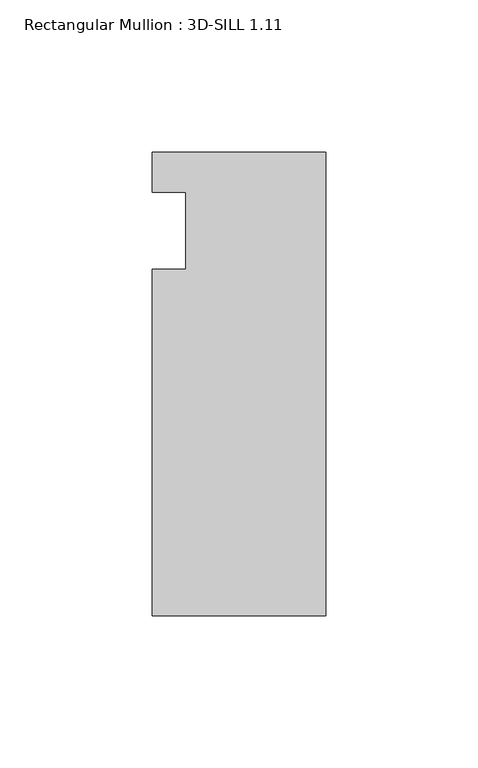
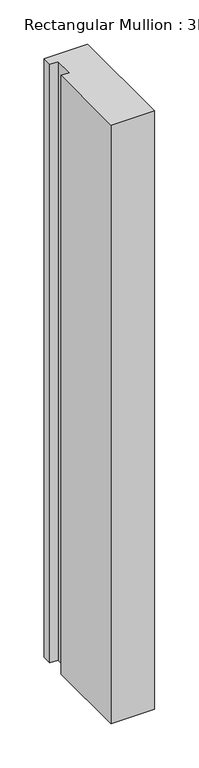
"""IFC4 building model written with IfcOpenShell, lengths in millimetres: member geometry, Rectangular Mullion : 3D-SILL 1.11."""

from ifc_helpers import new_model, si_unit, frame, origin, place, context, project, spatial, polyline, outline, extrude, source, transform, mapped, element, save


def rectangular_mullion_3d_sill_1_11_5f9f4a1b(model_context):
    return source(origin(), model_context, "Body", "SweptSolid", [
        extrude(outline(polyline([(-57.15, 76.2), (0.0, 76.2), (0.0, -76.2), (-57.15, -76.2), (-57.15, 37.6047), (-46.0375, 37.6047), (-46.0375, 63.0047), (-57.15, 63.0047), (-57.15, 76.2)])), frame((0.0, 0.0, -828.675), z_axis=(0.0, 0.0, 1.0), x_axis=(1.0, 0.0, 0.0)), (0.0, 0.0, 1.0), 828.675),
    ])


if __name__ == "__main__":
    model = new_model("IFC4")
    model_context = context("Model", 3, world=origin())
    ifc_project = project(units=[si_unit("LENGTHUNIT", "METRE", prefix="MILLI")], contexts=[model_context])
    site = spatial("IfcSite", under=ifc_project)
    building = spatial("IfcBuilding", under=site)
    placement = place(None, origin())
    rectangular_mullion_3d_sill_1_11_shape = rectangular_mullion_3d_sill_1_11_5f9f4a1b(model_context)
    element("IfcMember", 1, ObjectType="Rectangular Mullion : 3D-SILL 1.11", at=placement, inside=building, context=model_context, shape_type="MappedRepresentation", body=[
        mapped(rectangular_mullion_3d_sill_1_11_shape, transform((0.0, 0.0, 0.0), x_axis=(1.0, 0.0, 0.0), y_axis=(0.0, 1.0, 0.0), z_axis=(0.0, 0.0, 1.0))),
    ])
    save(model, "model.ifc")
